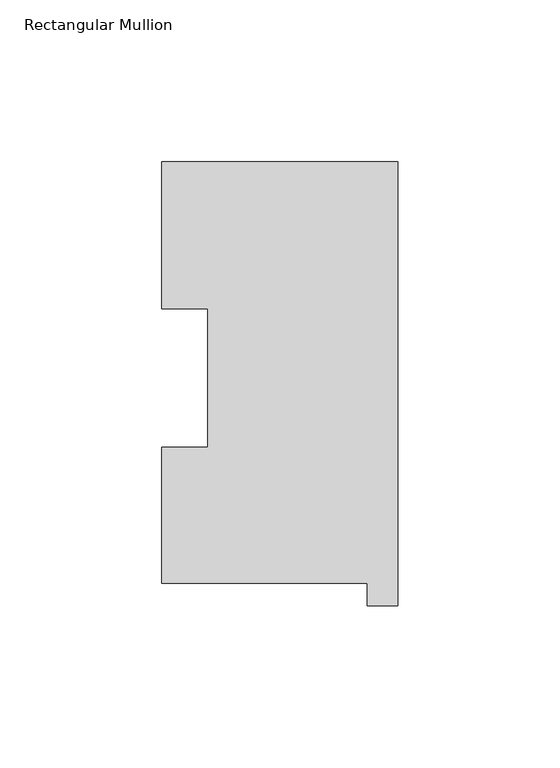
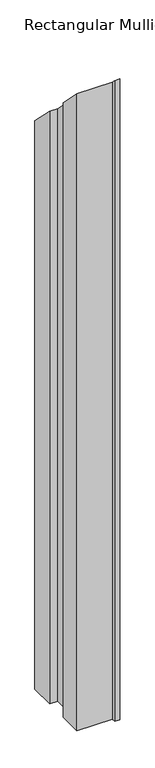
"""IFC4 building model written with IfcOpenShell, lengths in millimetres: member geometry, Rectangular Mullion."""

from ifc_helpers import new_model, si_unit, origin, place, context, project, spatial, faceted_brep, source, transform, mapped, element, save


def rectangular_mullion_afe49ad3(model_context):
    return source(origin(), model_context, "Body", "Brep", [
        faceted_brep([(-9.525, 0.04445, -1206.29045), (-73.025, 0.04445, -1206.29045), (-73.025, 42.08145, -1206.29045), (-58.7502, 42.08145, -1206.29045), (-58.7502, 84.93125, -1206.29045), (-73.025, 84.93125, -1206.29045), (-73.025, 130.34645, -1206.29045), (0.0, 130.34645, -1206.29045), (0.0, -6.86435, -1206.29045), (-9.525, -6.86435, -1206.29045), (-9.525, -6.86435, 6.86435), (-9.525, 0.04445, -0.04445), (0.0, -6.86435, 6.86435), (0.0, 130.34645, -130.34645), (-73.025, 130.34645, -130.34645), (-73.025, 84.93125, -84.93125), (-58.7502, 84.93125, -84.93125), (-58.7502, 42.08145, -42.08145), (-73.025, 42.08145, -42.08145), (-73.025, 0.04445, -0.04445)], [[[0, 1, 2, 3, 4, 5, 6, 7, 8, 9]], [[10, 11, 0, 9]], [[12, 10, 9, 8]], [[13, 12, 8, 7]], [[14, 13, 7, 6]], [[15, 14, 6, 5]], [[16, 15, 5, 4]], [[17, 16, 4, 3]], [[18, 17, 3, 2]], [[19, 18, 2, 1]], [[11, 19, 1, 0]], [[11, 10, 12, 13, 14, 15, 16, 17, 18, 19]]]),
    ])


if __name__ == "__main__":
    model = new_model("IFC4")
    model_context = context("Model", 3, world=origin())
    ifc_project = project(units=[si_unit("LENGTHUNIT", "METRE", prefix="MILLI")], contexts=[model_context])
    site = spatial("IfcSite", under=ifc_project)
    building = spatial("IfcBuilding", under=site)
    placement = place(None, origin())
    rectangular_mullion_shape = rectangular_mullion_afe49ad3(model_context)
    element("IfcMember", 1, ObjectType="Rectangular Mullion", at=placement, inside=building, context=model_context, shape_type="MappedRepresentation", body=[
        mapped(rectangular_mullion_shape, transform((0.0, 0.0, 0.0), x_axis=(1.0, 0.0, 0.0), y_axis=(0.0, 1.0, 0.0), z_axis=(0.0, 0.0, 1.0))),
    ])
    save(model, "model.ifc")
